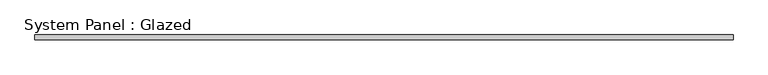
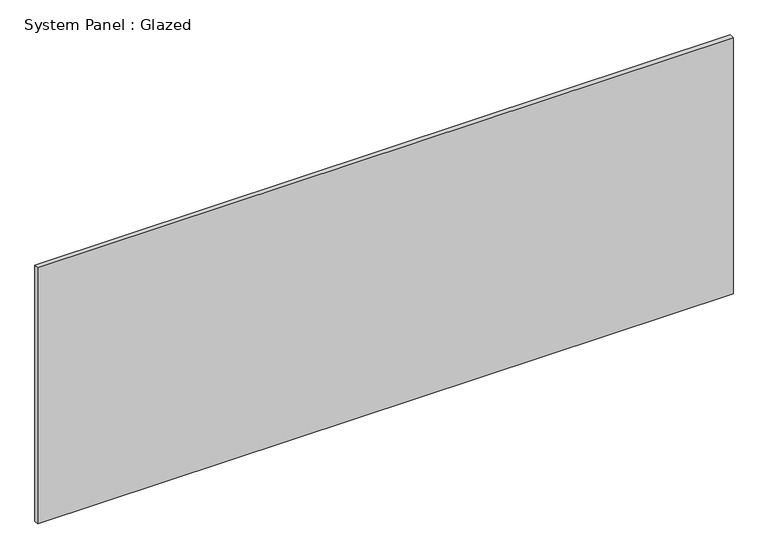
"""IFC4 building model written with IfcOpenShell, lengths in millimetres: plate geometry, System Panel : Glazed."""

from ifc_helpers import new_model, si_unit, origin, origin_with_axes, place, context, project, spatial, polyline, outline, extrude, source, transform, mapped, element, save


def system_panel_glazed_b28a7f88(model_context):
    return source(origin(), model_context, "Body", "SweptSolid", [
        extrude(outline(polyline([(1876.0262313, 19.05), (-1876.0262313, 19.05), (-1876.0262313, 44.45), (1876.0262313, 44.45), (1876.0262313, 19.05)])), origin_with_axes(), (0.0, 0.0, 1.0), 1460.5),
    ])


if __name__ == "__main__":
    model = new_model("IFC4")
    model_context = context("Model", 3, world=origin())
    ifc_project = project(units=[si_unit("LENGTHUNIT", "METRE", prefix="MILLI")], contexts=[model_context])
    site = spatial("IfcSite", under=ifc_project)
    building = spatial("IfcBuilding", under=site)
    placement = place(None, origin())
    system_panel_glazed_shape = system_panel_glazed_b28a7f88(model_context)
    element("IfcPlate", 1, ObjectType="System Panel : Glazed", at=placement, inside=building, context=model_context, shape_type="MappedRepresentation", body=[
        mapped(system_panel_glazed_shape, transform((0.0, 0.0, 0.0), x_axis=(1.0, 0.0, 0.0), y_axis=(0.0, 1.0, 0.0), z_axis=(0.0, 0.0, 1.0))),
    ])
    save(model, "model.ifc")
